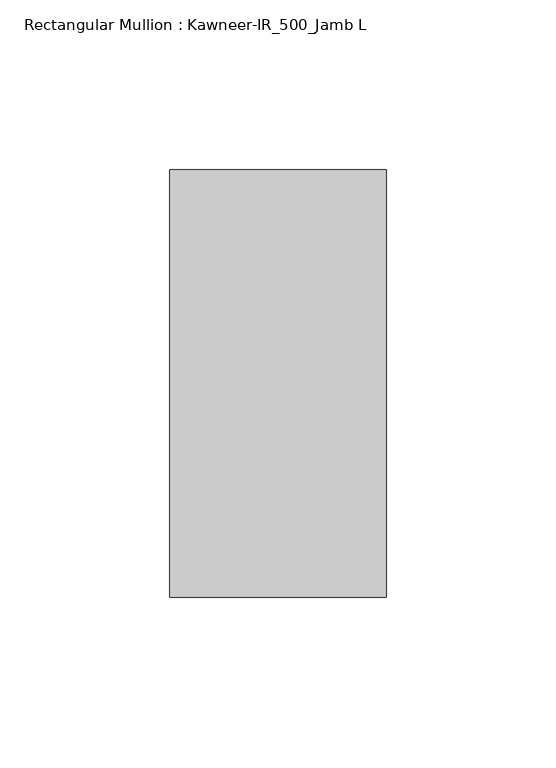
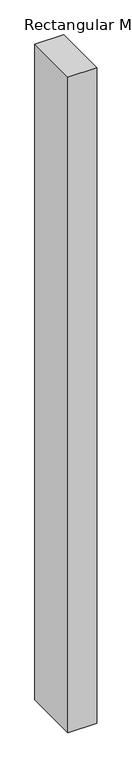
"""IFC4 building model written with IfcOpenShell, lengths in millimetres: member geometry, Rectangular Mullion : Kawneer-IR_500_Jamb L."""

from ifc_helpers import new_model, si_unit, frame, origin, place, context, project, spatial, polyline, outline, extrude, source, transform, mapped, element, save


def rectangular_mullion_kawneer_ir_500_jamb_l_df9dcb9e(model_context):
    return source(origin(), model_context, "Body", "SweptSolid", [
        extrude(outline(polyline([(0.0, 62.8904), (0.0, -62.8904), (-63.6202663, -62.8904), (-63.6202663, 62.8904), (0.0, 62.8904)])), frame((0.0, 0.0, -1524.0), z_axis=(0.0, 0.0, 1.0), x_axis=(1.0, 0.0, 0.0)), (0.0, 0.0, 1.0), 1524.0),
    ])


if __name__ == "__main__":
    model = new_model("IFC4")
    model_context = context("Model", 3, world=origin())
    ifc_project = project(units=[si_unit("LENGTHUNIT", "METRE", prefix="MILLI")], contexts=[model_context])
    site = spatial("IfcSite", under=ifc_project)
    building = spatial("IfcBuilding", under=site)
    placement = place(None, origin())
    rectangular_mullion_kawneer_ir_500_jamb_l_shape = rectangular_mullion_kawneer_ir_500_jamb_l_df9dcb9e(model_context)
    element("IfcMember", 1, ObjectType="Rectangular Mullion : Kawneer-IR_500_Jamb L", at=placement, inside=building, context=model_context, shape_type="MappedRepresentation", body=[
        mapped(rectangular_mullion_kawneer_ir_500_jamb_l_shape, transform((0.0, 0.0, 0.0), x_axis=(1.0, 0.0, 0.0), y_axis=(0.0, 1.0, 0.0), z_axis=(0.0, 0.0, 1.0))),
    ])
    save(model, "model.ifc")
